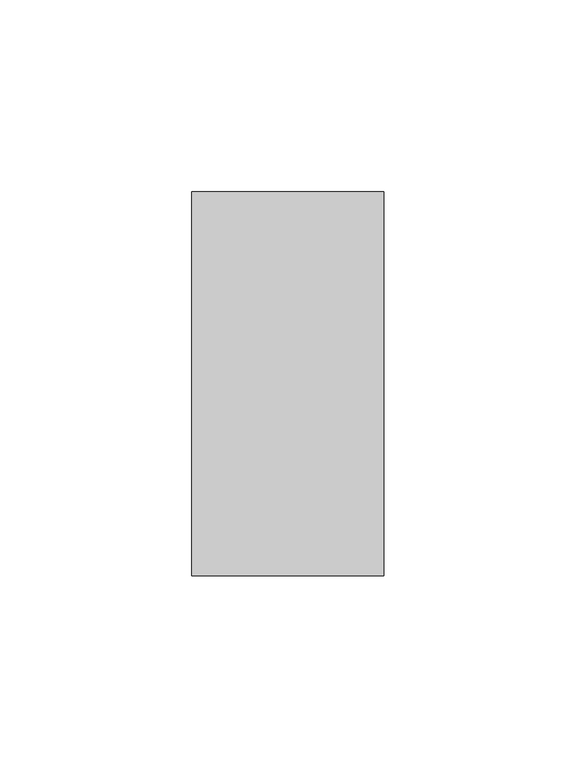
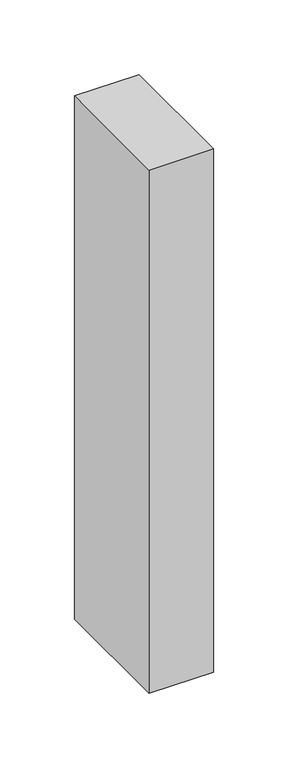
"""IFC4 building model written with IfcOpenShell, lengths in millimetres: member geometry."""

from ifc_helpers import new_model, si_unit, frame, origin, place, context, project, spatial, polyline, outline, extrude, source, transform, mapped, element, save


def member_e735493b(model_context):
    return source(origin(), model_context, "Body", "SweptSolid", [
        extrude(outline(polyline([(25.0, 50.0), (25.0, -50.0), (-25.0, -50.0), (-25.0, 50.0), (25.0, 50.0)])), frame((0.0, 0.0, -428.3552083), z_axis=(0.0, 0.0, 1.0), x_axis=(1.0, 0.0, 0.0)), (0.0, 0.0, 1.0), 428.3552083),
    ])


if __name__ == "__main__":
    model = new_model("IFC4")
    model_context = context("Model", 3, world=origin())
    ifc_project = project(units=[si_unit("LENGTHUNIT", "METRE", prefix="MILLI")], contexts=[model_context])
    site = spatial("IfcSite", under=ifc_project)
    building = spatial("IfcBuilding", under=site)
    placement = place(None, origin())
    member_shape = member_e735493b(model_context)
    element("IfcMember", 1, at=placement, inside=building, context=model_context, shape_type="MappedRepresentation", body=[
        mapped(member_shape, transform((0.0, 0.0, 0.0), x_axis=(1.0, 0.0, 0.0), y_axis=(0.0, 1.0, 0.0), z_axis=(0.0, 0.0, 1.0))),
    ])
    save(model, "model.ifc")
